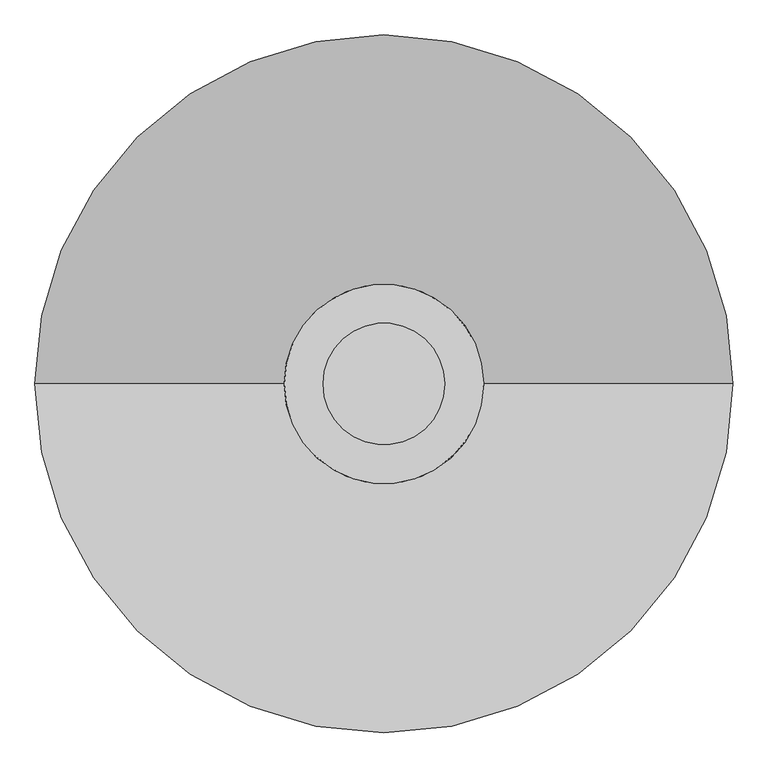
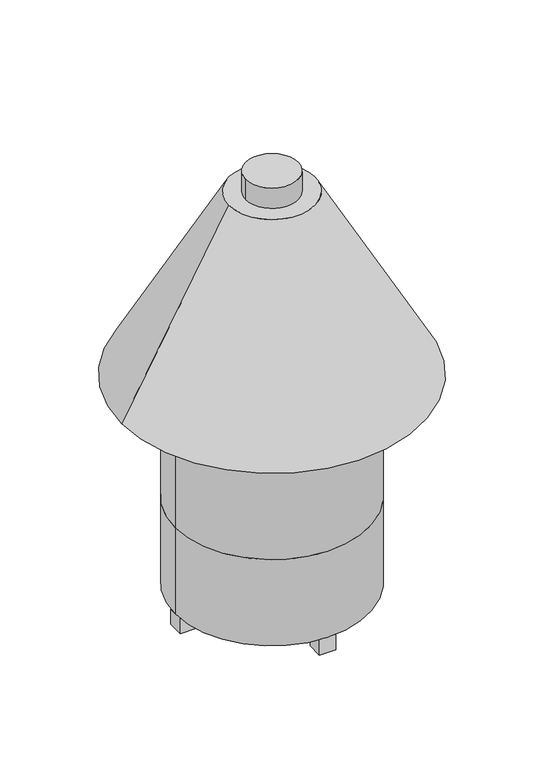
"""IFC4 building model written with IfcOpenShell, lengths in millimetres: proxy geometry."""

from ifc_helpers import new_model, si_unit, point, frame, origin, origin_with_axes, origin_2d, place, context, project, spatial, polyline, circle_curve, trimmed, segment, composite_curve, outline, extrude, source, transform, mapped, element, save
from ifc_brep_helpers import plane_surface, revolved_surface, advanced_brep


def generic_models_b128ee7b(model_context):
    return source(origin(), model_context, "Body", "SolidModel", [
        extrude(outline(polyline([(38.1, 379.4097343), (-38.1, 379.4097343), (-38.1, 455.6097343), (38.1, 455.6097343), (38.1, 379.4097343)])), origin_with_axes(), (0.0, 0.0, 1.0), 76.2),
        extrude(outline(polyline([(455.6097343, 38.1), (455.6097343, -38.1), (379.4097343, -38.1), (379.4097343, 38.1), (455.6097343, 38.1)])), origin_with_axes(), (0.0, 0.0, 1.0), 76.2),
        extrude(outline(polyline([(-455.6097343, -38.1), (-455.6097343, 38.1), (-379.4097343, 38.1), (-379.4097343, -38.1), (-455.6097343, -38.1)])), origin_with_axes(), (0.0, 0.0, 1.0), 76.2),
        extrude(outline(polyline([(-38.1, -379.4097343), (38.1, -379.4097343), (38.1, -455.6097343), (-38.1, -455.6097343), (-38.1, -379.4097343)])), origin_with_axes(), (0.0, 0.0, 1.0), 76.2),
        extrude(outline(composite_curve([segment(trimmed(circle_curve(origin_2d(), 123.825), [point((-123.825, 0.0))], [point((123.825, 0.0))], False, "CARTESIAN"), True, "CONTINUOUS"), segment(trimmed(circle_curve(origin_2d(), 123.825), [point((123.825, 0.0))], [point((-123.825, 0.0))], False, "CARTESIAN"), True, "CONTINUOUS")], self_intersect=False)), frame((0.0, 0.0, 2032.0), z_axis=(0.0, 0.0, 1.0), x_axis=(1.0, 0.0, 0.0)), (0.0, 0.0, 1.0), 101.6),
        advanced_brep(
        [(-203.2, 0.0, 2032.0), (203.2, 0.0, 2032.0), (-711.2, 0.0, 1117.6), (711.2, 0.0, 1117.6)],
        [
            (0, 1, circle_curve(frame((0.0, 0.0, 2032.0), z_axis=(0.0, 0.0, 1.0), x_axis=(-1.0, 0.0, 0.0)), 203.2)),
            (1, 0, circle_curve(frame((0.0, 0.0, 2032.0), z_axis=(0.0, 0.0, 1.0), x_axis=(1.0, 0.0, 0.0)), 203.2)),
            (2, 3, circle_curve(frame((0.0, 0.0, 1117.6), z_axis=(0.0, 0.0, -1.0), x_axis=(1.0, 0.0, 0.0)), 711.2)),
            (3, 2, circle_curve(frame((0.0, 0.0, 1117.6), z_axis=(0.0, 0.0, -1.0), x_axis=(-1.0, 0.0, 0.0)), 711.2)),
            (3, 1),
            (0, 2),
        ],
        [
            plane_surface(frame((0.0, 0.0, 2032.0), z_axis=(0.0, 0.0, 1.0), x_axis=(0.0, -1.0, 0.0))),
            plane_surface(frame((0.0, 0.0, 1117.6), z_axis=(0.0, 0.0, -1.0), x_axis=(0.0, -1.0, 0.0))),
            revolved_surface(polyline([(-203.20000000000007, 0.0, 2032.0), (-711.2, 0.0, 1117.6)]), (0.0, 0.0, 2397.76), (0.0, 0.0, -1.0)),
            revolved_surface(polyline([(203.20000000000007, 0.0, 2032.0), (711.2, 0.0, 1117.6)]), (0.0, 0.0, 2397.76), (0.0, 0.0, -1.0)),
        ],
        [
            (0, [[1, 2]]),
            (1, [[3, 4]]),
            (2, [[-4, 5, -1, 6]]),
            (3, [[-3, -6, -2, -5]]),
        ],
    ),
        extrude(outline(composite_curve([segment(trimmed(circle_curve(origin_2d(), 457.2), [point((-457.2, 0.0))], [point((457.2, 0.0))], False, "CARTESIAN"), True, "CONTINUOUS"), segment(trimmed(circle_curve(origin_2d(), 457.2), [point((457.2, 0.0))], [point((-457.2, 0.0))], False, "CARTESIAN"), True, "CONTINUOUS")], self_intersect=False)), frame((0.0, 0.0, 508.0), z_axis=(0.0, 0.0, 1.0), x_axis=(1.0, 0.0, 0.0)), (0.0, 0.0, 1.0), 609.6),
        extrude(outline(composite_curve([segment(trimmed(circle_curve(origin_2d(), 457.2), [point((-457.2, 0.0))], [point((457.2, 0.0))], False, "CARTESIAN"), True, "CONTINUOUS"), segment(trimmed(circle_curve(origin_2d(), 457.2), [point((457.2, 0.0))], [point((-457.2, 0.0))], False, "CARTESIAN"), True, "CONTINUOUS")], self_intersect=False)), frame((0.0, 0.0, 76.2), z_axis=(0.0, 0.0, 1.0), x_axis=(1.0, 0.0, 0.0)), (0.0, 0.0, 1.0), 431.8),
    ])


if __name__ == "__main__":
    model = new_model("IFC4")
    model_context = context("Model", 3, world=origin())
    ifc_project = project(units=[si_unit("LENGTHUNIT", "METRE", prefix="MILLI")], contexts=[model_context])
    site = spatial("IfcSite", under=ifc_project)
    building = spatial("IfcBuilding", under=site)
    placement = place(None, origin())
    generic_models_shape = generic_models_b128ee7b(model_context)
    element("IfcBuildingElementProxy", 1, Name="Generic Models", at=placement, inside=building, context=model_context, shape_type="MappedRepresentation", body=[
        mapped(generic_models_shape, transform((0.0, 0.0, 0.0), x_axis=(1.0, 0.0, 0.0), y_axis=(0.0, 1.0, 0.0), z_axis=(0.0, 0.0, 1.0))),
    ])
    save(model, "model.ifc")
